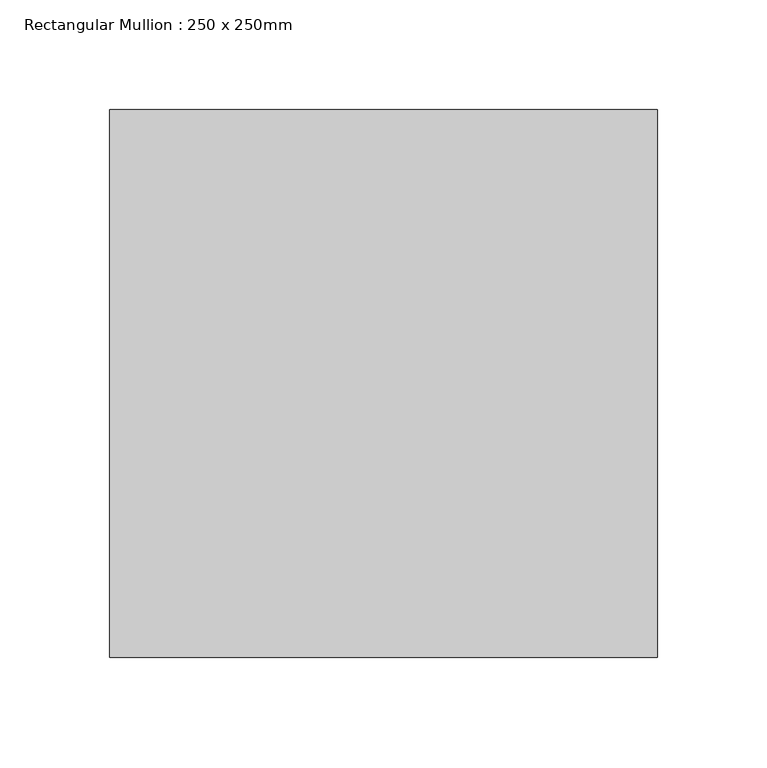
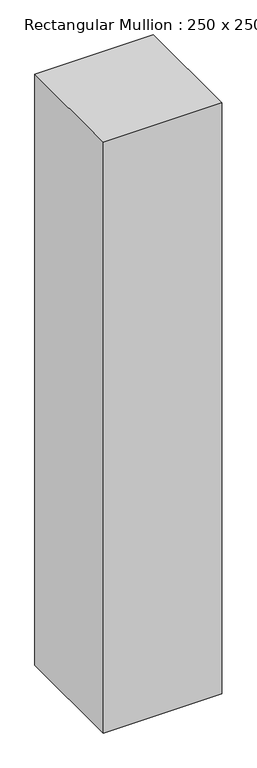
"""IFC4 building model written with IfcOpenShell, lengths in millimetres: member geometry, Rectangular Mullion : 250 x 250mm."""

from ifc_helpers import new_model, si_unit, frame, origin, place, context, project, spatial, polyline, outline, extrude, source, transform, mapped, element, save


def rectangular_mullion_250_x_250mm_6f8a7940(model_context):
    return source(origin(), model_context, "Body", "SweptSolid", [
        extrude(outline(polyline([(0.0, 125.0), (0.0, -125.0), (-250.0, -125.0), (-250.0, 125.0), (0.0, 125.0)])), frame((0.0, 0.0, -1317.4856237), z_axis=(0.0, 0.0, 1.0), x_axis=(1.0, 0.0, 0.0)), (0.0, 0.0, 1.0), 1317.4856237),
    ])


if __name__ == "__main__":
    model = new_model("IFC4")
    model_context = context("Model", 3, world=origin())
    ifc_project = project(units=[si_unit("LENGTHUNIT", "METRE", prefix="MILLI")], contexts=[model_context])
    site = spatial("IfcSite", under=ifc_project)
    building = spatial("IfcBuilding", under=site)
    placement = place(None, origin())
    rectangular_mullion_250_x_250mm_shape = rectangular_mullion_250_x_250mm_6f8a7940(model_context)
    element("IfcMember", 1, ObjectType="Rectangular Mullion : 250 x 250mm", at=placement, inside=building, context=model_context, shape_type="MappedRepresentation", body=[
        mapped(rectangular_mullion_250_x_250mm_shape, transform((0.0, 0.0, 0.0), x_axis=(1.0, 0.0, 0.0), y_axis=(0.0, 1.0, 0.0), z_axis=(0.0, 0.0, 1.0))),
    ])
    save(model, "model.ifc")
